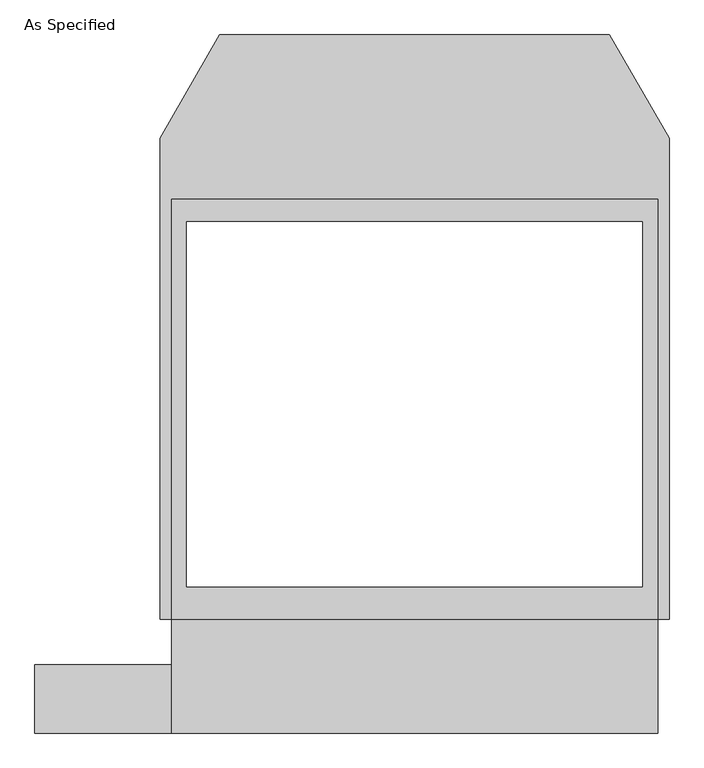
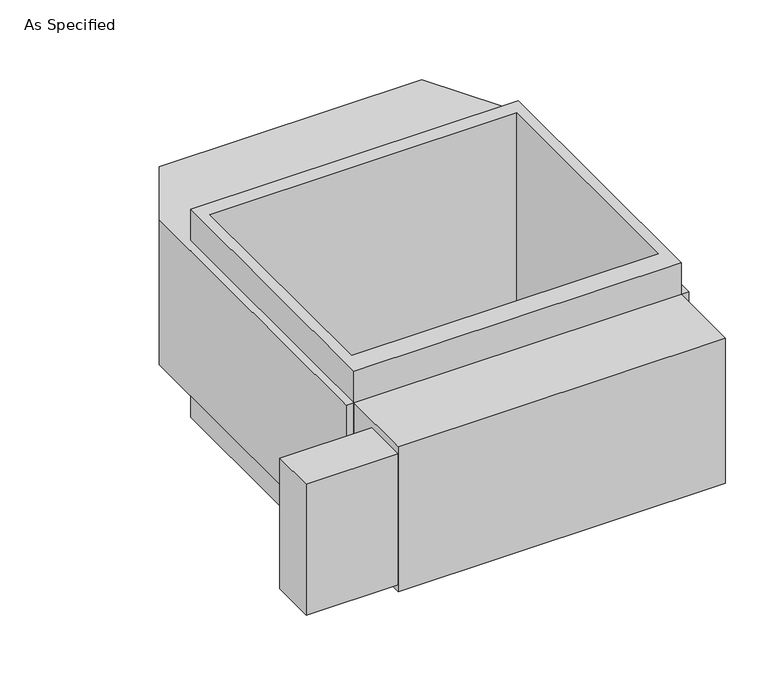
"""IFC4 building model written with IfcOpenShell, lengths in millimetres: proxy geometry, As Specified."""

from ifc_helpers import new_model, si_unit, frame, origin, place, context, project, spatial, polyline, outline, extrude, source, transform, mapped, element, save


def as_specified_04ae9adc(model_context):
    return source(origin(), model_context, "Body", "SweptSolid", [
        extrude(outline(polyline([(-812.8, -1166.5148438), (-1270.0, -1166.5148438), (-1270.0, -937.9148438), (-812.8, -937.9148438), (-812.8, -1166.5148438)])), frame((0.0, 0.0, -749.3), z_axis=(0.0, 0.0, 1.0), x_axis=(1.0, 0.0, 0.0)), (0.0, 0.0, 1.0), 685.8),
        extrude(outline(polyline([(812.8, 617.8351562), (812.8, -785.5148438), (-812.8, -785.5148438), (-812.8, 617.8351562), (812.8, 617.8351562)]), holes=[polyline([(-762.0, 541.6748437), (-762.0, -677.5251563), (762.0, -677.5251563), (762.0, 541.6748437), (-762.0, 541.6748437)])]), frame((0.0, 0.0, -952.5), z_axis=(0.0, 0.0, 1.0), x_axis=(1.0, 0.0, 0.0)), (0.0, 0.0, 1.0), 1092.2),
        extrude(outline(polyline([(812.8, -1166.5148438), (-812.8, -1166.5148438), (-812.8, -785.5148438), (-850.9, -785.5148438), (-850.9, 821.0748437), (-651.460123, 1166.5148437), (651.460123, 1166.5148437), (850.9, 821.0748437), (850.9, -785.5148438), (812.8, -785.5148438), (812.8, -1166.5148438)]), holes=[polyline([(762.0, -677.5251563), (762.0, 541.6748437), (-762.0, 541.6748437), (-762.0, -677.5251563), (762.0, -677.5251563)])]), frame((0.0, 0.0, -787.4), z_axis=(0.0, 0.0, 1.0), x_axis=(1.0, 0.0, 0.0)), (0.0, 0.0, 1.0), 762.0),
    ])


if __name__ == "__main__":
    model = new_model("IFC4")
    model_context = context("Model", 3, world=origin())
    ifc_project = project(units=[si_unit("LENGTHUNIT", "METRE", prefix="MILLI")], contexts=[model_context])
    site = spatial("IfcSite", under=ifc_project)
    building = spatial("IfcBuilding", under=site)
    placement = place(None, origin())
    as_specified_shape = as_specified_04ae9adc(model_context)
    element("IfcBuildingElementProxy", 1, Name="As Specified", ObjectType="As Specified", at=placement, inside=building, context=model_context, shape_type="MappedRepresentation", body=[
        mapped(as_specified_shape, transform((0.0, 0.0, 0.0), x_axis=(1.0, 0.0, 0.0), y_axis=(0.0, 1.0, 0.0), z_axis=(0.0, 0.0, 1.0))),
    ])
    save(model, "model.ifc")
